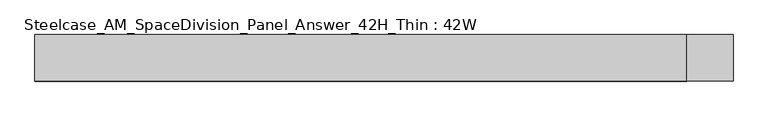
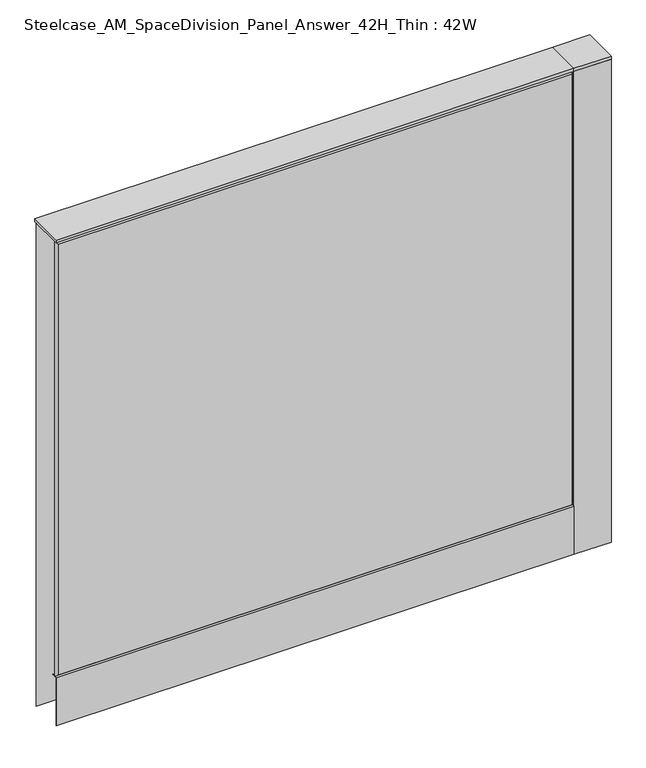
"""IFC4 building model written with IfcOpenShell, lengths in millimetres: furniture geometry, Steelcase_AM_SpaceDivision_Panel_Answer_42H_Thin : 42W."""

from ifc_helpers import new_model, si_unit, point, frame, frame_2d, origin, place, context, project, spatial, polyline, circle_curve, trimmed, segment, composite_curve, outline, extrude, faceted_brep, source, transform, mapped, element, save


def steelcase_am_spacedivision_panel_answer_42h_thin_42w_e89bbd6e(model_context):
    return source(origin(), model_context, "Body", "SolidModel", [
        extrude(outline(polyline([(-37.3075215, 119.8575157), (-37.3075215, 15.494), (-38.1000194, 15.494), (-38.1000194, 120.65), (-25.4000011, 120.65), (-25.4000011, 119.8575157), (-37.3075215, 119.8575157)])), frame((-533.4, 0.0, 0.0), z_axis=(1.0, 0.0, 0.0), x_axis=(0.0, 1.0, 0.0)), (0.0, 0.0, 1.0), 1066.8),
        extrude(outline(composite_curve([segment(trimmed(circle_curve(frame_2d((571.5, -1.94e-05)), 5.08), [point((576.58, -1.94e-05))], [point((566.42, -1.94e-05))], False, "CARTESIAN"), True, "CONTINUOUS"), segment(trimmed(circle_curve(frame_2d((571.5, -1.94e-05)), 5.08), [point((566.42, -1.94e-05))], [point((576.58, -1.94e-05))], False, "CARTESIAN"), True, "CONTINUOUS")], self_intersect=False)), frame((0.0, 0.0, 5.0799671), z_axis=(0.0, 0.0, 1.0), x_axis=(1.0, 0.0, 0.0)), (0.0, 0.0, 1.0), 10.414),
        extrude(outline(composite_curve([segment(trimmed(circle_curve(frame_2d((571.5, -1.94e-05)), 15.24), [point((586.74, -1.94e-05))], [point((556.26, -1.94e-05))], False, "CARTESIAN"), True, "CONTINUOUS"), segment(trimmed(circle_curve(frame_2d((571.5, -1.94e-05)), 15.24), [point((556.26, -1.94e-05))], [point((586.74, -1.94e-05))], False, "CARTESIAN"), True, "CONTINUOUS")], self_intersect=False)), frame((0.0, 0.0, -3.29e-05), z_axis=(0.0, 0.0, 1.0), x_axis=(1.0, 0.0, 0.0)), (0.0, 0.0, 1.0), 5.08),
        extrude(outline(polyline([(533.4, -38.1), (533.4, 38.1), (609.6, 38.1), (609.6, -38.1), (533.4, -38.1)])), frame((0.0, 0.0, 1066.7999671), z_axis=(0.0, 0.0, 1.0), x_axis=(1.0, 0.0, 0.0)), (0.0, 0.0, 1.0), 6.35),
        extrude(outline(polyline([(609.6, 38.1), (609.6, -38.1), (533.4, -38.1), (533.4, 38.1), (609.6, 38.1)])), frame((0.0, 0.0, 15.4939671), z_axis=(0.0, 0.0, 1.0), x_axis=(1.0, 0.0, 0.0)), (0.0, 0.0, 1.0), 1051.306),
        faceted_brep([(-528.574, 38.0960541, 1061.974), (528.574, 38.0960541, 1061.974), (528.574, 38.0960541, 20.32), (-528.574, 38.0960541, 20.32), (-533.4, 33.2700541, 1066.8), (-533.4, 33.2700541, 15.494), (533.4, 33.2700541, 15.494), (533.4, 33.2700541, 1066.8)], [[[0, 1, 2, 3]], [[4, 5, 6, 7]], [[4, 7, 1, 0]], [[7, 6, 2, 1]], [[6, 5, 3, 2]], [[5, 4, 0, 3]]]),
        faceted_brep([(528.574, -38.0960541, 1061.974), (-528.574, -38.0960541, 1061.974), (-528.574, -38.0960541, 125.476), (528.574, -38.0960541, 125.476), (533.4, -33.2700541, 1066.8), (533.4, -33.2700541, 120.65), (-533.4, -33.2700541, 120.65), (-533.4, -33.2700541, 1066.8)], [[[0, 1, 2, 3]], [[4, 5, 6, 7]], [[4, 7, 1, 0]], [[7, 6, 2, 1]], [[6, 5, 3, 2]], [[5, 4, 0, 3]]]),
        extrude(outline(polyline([(533.4, 38.1000194), (533.4, -38.1000194), (-533.4, -38.1000194), (-533.4, 38.1000194), (533.4, 38.1000194)])), frame((0.0, 0.0, 1066.8), z_axis=(0.0, 0.0, 1.0), x_axis=(1.0, 0.0, 0.0)), (0.0, 0.0, 1.0), 6.35),
    ])


if __name__ == "__main__":
    model = new_model("IFC4")
    model_context = context("Model", 3, world=origin())
    ifc_project = project(units=[si_unit("LENGTHUNIT", "METRE", prefix="MILLI")], contexts=[model_context])
    site = spatial("IfcSite", under=ifc_project)
    building = spatial("IfcBuilding", under=site)
    placement = place(None, origin())
    steelcase_am_spacedivision_panel_answer_42h_thin_42w_shape = steelcase_am_spacedivision_panel_answer_42h_thin_42w_e89bbd6e(model_context)
    element("IfcFurniture", 1, ObjectType="Steelcase_AM_SpaceDivision_Panel_Answer_42H_Thin : 42W", at=placement, inside=building, context=model_context, shape_type="MappedRepresentation", body=[
        mapped(steelcase_am_spacedivision_panel_answer_42h_thin_42w_shape, transform((0.0, 0.0, 0.0), x_axis=(1.0, 0.0, 0.0), y_axis=(0.0, 1.0, 0.0), z_axis=(0.0, 0.0, 1.0))),
    ])
    save(model, "model.ifc")
